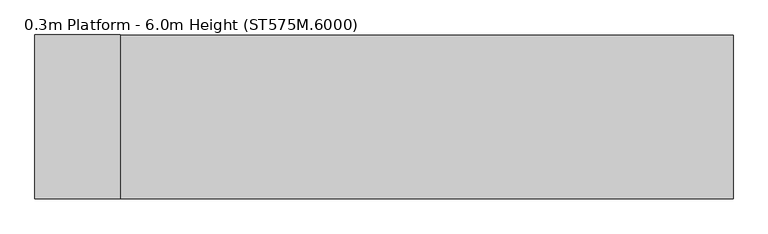
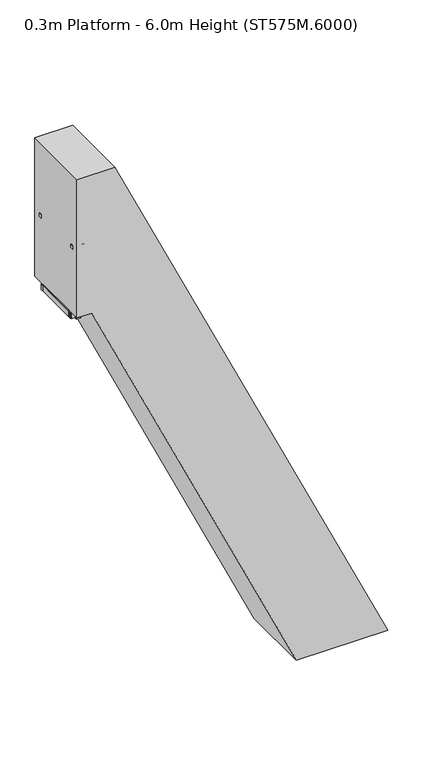
"""IFC4 building model written with IfcOpenShell, lengths in millimetres: proxy geometry, 0.3m Platform - 6.0m Height (ST575M.6000)."""

import ifcopenshell
import ifcopenshell.guid

model = None  # the IFC model being written
_history = None  # IfcOwnerHistory: only IFC2X3 demands one
_inside = {}  # id of a spatial element -> (the spatial element, [elements in it])
_under = {}  # id of a project, library or spatial element -> (it, [spatial elements below it])
_declared = {}  # id of a project -> (the project, [libraries it declares])
_typed = {}  # id of a type object -> (the type object, [elements of that type])
_made_of = {}  # id of a material, layer set ... -> (it, [elements and type objects made of it])


def new_model(schema):
    """Start an empty IFC model of exactly this schema.

    Asked for "IFC4X3", IfcOpenShell would pick the latest addendum, in which some entities
    have other attributes; the version numbers below select the first issue.
    IFC2X3 requires an IfcOwnerHistory on every rooted entity: one is made here for all.
    """
    global model, _history
    if schema == "IFC4X3":
        model = ifcopenshell.file(schema_version=(4, 3, 0, 0))
    else:
        model = ifcopenshell.file(schema=schema)
    _inside.clear()
    _under.clear()
    _declared.clear()
    _typed.clear()
    _made_of.clear()
    _history = None
    if model.schema == "IFC2X3":
        org = make("IfcOrganization", Name="unknown")
        user = make(
            "IfcPersonAndOrganization",
            ThePerson=make("IfcPerson", FamilyName="unknown"),
            TheOrganization=org,
        )
        app = make(
            "IfcApplication",
            ApplicationDeveloper=org,
            Version="unknown",
            ApplicationFullName="unknown",
            ApplicationIdentifier="unknown",
        )
        _history = make(
            "IfcOwnerHistory",
            OwningUser=user,
            OwningApplication=app,
            ChangeAction="ADDED",
            CreationDate=0,
        )
    return model


def make(cls, **values):
    """One entity of the class cls with the attributes given. An attribute that is None is left unset."""
    return model.create_entity(
        cls, **{name: value for name, value in values.items() if value is not None}
    )


def rooted(cls, **values):
    """An entity with a GlobalId (a new one), such as an element, a storey or a relation."""
    return make(cls, GlobalId=ifcopenshell.guid.new(), OwnerHistory=_history, **values)


def si_unit(unit_type, name, prefix=None):
    """IfcSIUnit, for example si_unit("LENGTHUNIT", "METRE", prefix="MILLI")."""
    return make("IfcSIUnit", UnitType=unit_type, Prefix=prefix, Name=name)


def assignment(units):
    """IfcUnitAssignment: the units of a project."""
    return None if units is None else make("IfcUnitAssignment", Units=units)


def point(xyz):
    """IfcCartesianPoint."""
    return None if xyz is None else make("IfcCartesianPoint", Coordinates=xyz)


def direction(xyz):
    """IfcDirection."""
    return None if xyz is None else make("IfcDirection", DirectionRatios=xyz)


def frame(location, z_axis=None, x_axis=None):
    """IfcAxis2Placement3D, a coordinate frame: its origin and axes. An axis left out is left unset."""
    return make(
        "IfcAxis2Placement3D",
        Location=point(location),
        Axis=direction(z_axis),
        RefDirection=direction(x_axis),
    )


def frame_2d(location, x_axis=None):
    """IfcAxis2Placement2D, a coordinate frame in the plane: its origin and x axis."""
    return make(
        "IfcAxis2Placement2D", Location=point(location), RefDirection=direction(x_axis)
    )


def origin():
    """The frame at (0, 0, 0) with its axes left unset."""
    return frame((0.0, 0.0, 0.0))


def origin_with_axes():
    """The frame at (0, 0, 0) with the z axis (0, 0, 1) and the x axis (1, 0, 0) written out."""
    return frame((0.0, 0.0, 0.0), z_axis=(0.0, 0.0, 1.0), x_axis=(1.0, 0.0, 0.0))


def place(relative_to, where):
    """IfcLocalPlacement: puts the frame where relative to a parent placement (None: the world)."""
    return make(
        "IfcLocalPlacement", PlacementRelTo=relative_to, RelativePlacement=where
    )


def context(
    kind, dimensions, precision=None, world=None, true_north=None, identifier=None
):
    """IfcGeometricRepresentationContext, for example the 3D "Model" context."""
    return make(
        "IfcGeometricRepresentationContext",
        ContextIdentifier=identifier,
        ContextType=kind,
        CoordinateSpaceDimension=dimensions,
        Precision=precision,
        WorldCoordinateSystem=world,
        TrueNorth=true_north,
    )


def project(units=None, contexts=None):
    """IfcProject with its units and contexts."""
    return rooted(
        "IfcProject",
        Name="project",
        RepresentationContexts=contexts,
        UnitsInContext=assignment(units),
    )


def spatial(cls, under=None, at=None, **own):
    """A site, building, storey or space (cls), placed at a placement, below another one or the project."""
    s = rooted(cls, ObjectPlacement=at, **own)
    if under is not None:
        _under.setdefault(under.id(), (under, []))[1].append(s)
    return s


def polyline(points):
    """IfcPolyline through the points."""
    return make("IfcPolyline", Points=[point(p) for p in points])


def circle_curve(where, radius):
    """IfcCircle in the frame where."""
    return make("IfcCircle", Position=where, Radius=radius)


def ellipse_curve(where, semi_axis1, semi_axis2):
    """IfcEllipse in the frame where."""
    return make(
        "IfcEllipse", Position=where, SemiAxis1=semi_axis1, SemiAxis2=semi_axis2
    )


def trimmed(basis, trim1, trim2, sense, master):
    """IfcTrimmedCurve: the piece of a basis curve between two trims."""
    return make(
        "IfcTrimmedCurve",
        BasisCurve=basis,
        Trim1=trim1,
        Trim2=trim2,
        SenseAgreement=sense,
        MasterRepresentation=master,
    )


def segment(curve, same_sense, transition):
    """IfcCompositeCurveSegment."""
    return make(
        "IfcCompositeCurveSegment",
        Transition=transition,
        SameSense=same_sense,
        ParentCurve=curve,
    )


def composite_curve(segments, self_intersect=None):
    """IfcCompositeCurve: segments joined end to end."""
    return make("IfcCompositeCurve", Segments=segments, SelfIntersect=self_intersect)


def outline(outer, holes=None, kind="AREA"):
    """IfcArbitraryClosedProfileDef: a profile drawn as a closed curve; with holes, ...WithVoids."""
    if holes is None:
        return make("IfcArbitraryClosedProfileDef", ProfileType=kind, OuterCurve=outer)
    return make(
        "IfcArbitraryProfileDefWithVoids",
        ProfileType=kind,
        OuterCurve=outer,
        InnerCurves=holes,
    )


def extrude(swept, where, along, depth):
    """IfcExtrudedAreaSolid: the profile swept, set in the frame where, extruded along a direction by depth."""
    return make(
        "IfcExtrudedAreaSolid",
        SweptArea=swept,
        Position=where,
        ExtrudedDirection=direction(along),
        Depth=depth,
    )


def shape(context_of_items, identifier, shape_type, items):
    """IfcShapeRepresentation: the items that make up one representation, for example the "Body"."""
    return make(
        "IfcShapeRepresentation",
        ContextOfItems=context_of_items,
        RepresentationIdentifier=identifier,
        RepresentationType=shape_type,
        Items=items,
    )


def source(mapping_origin, context_of_items, identifier, shape_type, items):
    """IfcRepresentationMap: a shape defined once, which mapped items show again and again."""
    return make(
        "IfcRepresentationMap",
        MappingOrigin=mapping_origin,
        MappedRepresentation=shape(context_of_items, identifier, shape_type, items),
    )


def transform(
    local_origin,
    x_axis=None,
    y_axis=None,
    z_axis=None,
    scale=None,
    scale2=None,
    scale3=None,
    uniform=True,
):
    """IfcCartesianTransformationOperator3D, or its non-uniform kind. x_axis, y_axis, z_axis: its Axis1, 2, 3."""
    if uniform:
        return make(
            "IfcCartesianTransformationOperator3D",
            Axis1=direction(x_axis),
            Axis2=direction(y_axis),
            LocalOrigin=point(local_origin),
            Scale=scale,
            Axis3=direction(z_axis),
        )
    return make(
        "IfcCartesianTransformationOperator3DnonUniform",
        Axis1=direction(x_axis),
        Axis2=direction(y_axis),
        LocalOrigin=point(local_origin),
        Scale=scale,
        Axis3=direction(z_axis),
        Scale2=scale2,
        Scale3=scale3,
    )


def mapped(mapping_source, mapping_target):
    """IfcMappedItem: shows the shape of a source again, moved by a transform."""
    return make(
        "IfcMappedItem", MappingSource=mapping_source, MappingTarget=mapping_target
    )


def made_of(thing, what):
    """Note that an element or type object is made of a material, layer set ...; save() writes the relation."""
    if what is not None:
        _made_of.setdefault(what.id(), (what, []))[1].append(thing)
    return thing


def element(
    cls,
    number,
    at=None,
    inside=None,
    cuts=None,
    type_object=None,
    material=None,
    context=None,
    identifier="Body",
    shape_type=None,
    held_by="IfcProductDefinitionShape",
    body=None,
    shapes=None,
    **own,
):
    """One element of the class cls, such as IfcWall. Its Tag is "e" and its number.

    at: its placement. inside: the storey or other place that contains it. cuts: it is an
    opening in that element (IfcRelVoidsElement). A single representation is given by context,
    identifier, shape_type and body (its items); several are given by shapes. held_by: the class
    of the entity that holds the representations. save() writes the other relations.
    """
    e = rooted(cls, Tag="e%d" % number, ObjectPlacement=at, **own)
    if body is not None:
        shapes = [shape(context, identifier, shape_type, body)]
    if shapes is not None:
        e.Representation = make(held_by, Representations=shapes)
    if inside is not None:
        _inside.setdefault(inside.id(), (inside, []))[1].append(e)
    if cuts is not None:
        rooted(
            "IfcRelVoidsElement", RelatingBuildingElement=cuts, RelatedOpeningElement=e
        )
    if type_object is not None:
        _typed.setdefault(type_object.id(), (type_object, []))[1].append(e)
    return made_of(e, material)


def aggregate(whole, parts):
    """IfcRelAggregates: a whole, such as a stair, and the parts it consists of."""
    return rooted("IfcRelAggregates", RelatingObject=whole, RelatedObjects=parts)


def save(model, path):
    """Write the relations noted so far, then the file.

    IfcRelAggregates (storeys below a building ...), IfcRelContainedInSpatialStructure (elements
    in a storey), IfcRelDefinesByType, IfcRelAssociatesMaterial and IfcRelDeclares: one each for
    every whole, place, type object, material and project.
    """
    for whole, parts in _under.values():
        aggregate(whole, parts)
    for where, things in _inside.values():
        rooted(
            "IfcRelContainedInSpatialStructure",
            RelatedElements=things,
            RelatingStructure=where,
        )
    for kind, things in _typed.values():
        rooted("IfcRelDefinesByType", RelatedObjects=things, RelatingType=kind)
    for what, things in _made_of.values():
        rooted("IfcRelAssociatesMaterial", RelatedObjects=things, RelatingMaterial=what)
    for by, libraries in _declared.values():
        rooted("IfcRelDeclares", RelatingContext=by, RelatedDefinitions=libraries)
    model.write(path)


def plane_surface(at):
    """IfcPlane: the flat surface through the origin of the frame at, square to its z axis."""
    return make("IfcPlane", Position=at)


def cylinder_surface(at, radius):
    """IfcCylindricalSurface: all points at the distance radius from the z axis of the frame at."""
    return make("IfcCylindricalSurface", Position=at, Radius=radius)


def advanced_brep(points, edges, surfaces, faces):
    """IfcAdvancedBrep: a solid bounded by faces that lie on surfaces and meet in shared edges.

    An edge is (start, end): straight between two places in points (the first is 0);
    or (start, end, curve); or (start, end, curve, False) where it runs against its curve.
    A face is (place in surfaces, loops), or (place, loops, False) where it looks against
    its surface's normal. A loop lists edges by number (the first is 1), with a minus sign
    where the edge is run from its end to its start. The first loop is the outer one.
    """
    corners = [point(p) for p in points]
    vertices = [make("IfcVertexPoint", VertexGeometry=c) for c in corners]
    made = []
    for start, end, *more in edges:
        made.append(
            make(
                "IfcEdgeCurve",
                EdgeStart=vertices[start],
                EdgeEnd=vertices[end],
                EdgeGeometry=more[0] if more else make("IfcPolyline", Points=[corners[start], corners[end]]),
                SameSense=more[1] if len(more) > 1 else True,
            )
        )
    hull = []
    for where, loops, *sense in faces:
        bounds = []
        for j, loop in enumerate(loops):
            ring = [make("IfcOrientedEdge", EdgeElement=made[abs(k) - 1], Orientation=k > 0) for k in loop]
            bounds.append(
                make(
                    "IfcFaceOuterBound" if j == 0 else "IfcFaceBound",
                    Bound=make("IfcEdgeLoop", EdgeList=ring),
                    Orientation=True,
                )
            )
        hull.append(make("IfcAdvancedFace", Bounds=bounds, FaceSurface=surfaces[where], SameSense=sense[0] if sense else True))
    return make("IfcAdvancedBrep", Outer=make("IfcClosedShell", CfsFaces=hull))


def proxy_0_3m_platform_6_0m_height_st575m_6000_19a8d187(model_context):
    return source(origin(), model_context, "Body", "SolidModel", [
        extrude(outline(polyline([(250.0, 2577.2962564), (170.0, 2614.600864), (170.0, 2724.9386611), (250.0, 2687.6340485), (250.0, 2577.2962564)])), frame((0.0, 298.5, 0.0), z_axis=(0.0, 1.0, 0.0), x_axis=(0.0, 0.0, 1.0)), (0.0, 0.0, 1.0), 6.0),
        extrude(outline(polyline([(250.0, 2577.2962564), (170.0, 2614.600864), (170.0, 2724.9386611), (250.0, 2687.6340485), (250.0, 2577.2962564)])), frame((0.0, -304.5, 0.0), z_axis=(0.0, 1.0, 0.0), x_axis=(0.0, 0.0, 1.0)), (0.0, 0.0, 1.0), 6.0),
        extrude(outline(polyline([(250.0, 2584.4682127), (212.0999991, 2602.141271), (212.0999991, 2604.3480268), (247.0, 2588.0738913), (247.0, 2686.8262156), (212.0999991, 2703.1003533), (212.0999991, 2705.3071091), (250.0, 2687.6340485), (250.0, 2667.2063073), (249.2749538, 2666.8682127), (250.0, 2666.5301182), (250.0, 2646.6063073), (249.2749538, 2646.2682127), (250.0, 2645.9301182), (250.0, 2626.0063073), (249.2749538, 2625.6682127), (250.0, 2625.3301182), (250.0, 2605.4063073), (249.2749538, 2605.0682127), (250.0, 2604.7301182), (250.0, 2584.4682127)])), frame((0.0, -298.5, 0.0), z_axis=(0.0, 1.0, 0.0), x_axis=(0.0, 0.0, 1.0)), (0.0, 0.0, 1.0), 597.0),
        extrude(outline(polyline([(-108.8328319, -304.5), (-146.8328319, -304.5), (-146.8328319, 304.5), (-108.8328319, 304.5), (-108.8328319, -304.5)])), frame((0.0, 0.0, 5923.0), z_axis=(0.0, 0.0, 1.0), x_axis=(1.0, 0.0, 0.0)), (0.0, 0.0, 1.0), 58.0),
        advanced_brep(
        [(-256.8328319, 372.0, 6942.0), (-256.8328319, 372.0, 6987.0), (-244.1016939, 372.0, 6942.0), (-215.4337404, 372.0, 6987.0), (-213.5569732, 372.0, 6876.4977609), (-172.773248, 372.0, 6895.5158512)],
        [
            (0, 1, circle_curve(frame((-256.8328319, 372.0, 6964.5), z_axis=(-1.0, 0.0, 0.0), x_axis=(0.0, 0.0, 1.0)), 22.5)),
            (1, 0, circle_curve(frame((-256.8328319, 372.0, 6964.5), z_axis=(-1.0, 0.0, 0.0), x_axis=(0.0, 0.0, 1.0)), 22.5)),
            (0, 2),
            (2, 3, ellipse_curve(frame((-229.7677171, 372.0, 6964.5), z_axis=(-0.8433932143583006, 0.0, 0.5372968322765113), x_axis=(-0.5372968322765115, 0.0, -0.8433932143583006)), 26.6779476, 22.5)),
            (3, 1),
            (3, 2, ellipse_curve(frame((-229.7677171, 372.0, 6964.5), z_axis=(-0.8433932143583006, 0.0, 0.5372968322765113), x_axis=(-0.5372968322765115, 0.0, -0.8433932143583006)), 26.6779476, 22.5)),
            (4, 5, circle_curve(frame((-193.1651106, 372.0, 6886.0068061), z_axis=(0.4226242280512531, 0.0, -0.9063050048764392), x_axis=(0.9063050048764392, 0.0, 0.4226242280512531)), 22.5)),
            (5, 4, circle_curve(frame((-193.1651106, 372.0, 6886.0068061), z_axis=(0.4226242280512531, 0.0, -0.9063050048764392), x_axis=(0.9063050048764392, 0.0, 0.4226242280512531)), 22.5)),
            (2, 4),
            (5, 3),
        ],
        [
            plane_surface(frame((-256.8328319, 0.0, 6987.0), z_axis=(-1.0, 0.0, 0.0), x_axis=(0.0, -1.0, 0.0))),
            cylinder_surface(frame((-256.8328319, 372.0, 6964.5), z_axis=(-1.0, 0.0, 0.0), x_axis=(0.0, 0.0, 1.0)), 22.5),
            plane_surface(frame((-172.773248, 0.0, 6895.5158512), z_axis=(0.4226242280512531, 0.0, -0.9063050048764392), x_axis=(0.0, -1.0, 0.0))),
            cylinder_surface(frame((-235.825603, 372.0, 6977.4909549), z_axis=(-0.4226242280512531, 0.0, 0.9063050048764392), x_axis=(0.9063050048764392, 0.0, 0.4226242280512531)), 22.5),
        ],
        [
            (0, [[1, 2]]),
            (1, [[-1, 3, 4, 5]]),
            (1, [[-2, -5, 6, -3]]),
            (2, [[7, 8]]),
            (3, [[-4, 9, -8, 10]]),
            (3, [[-6, -10, -7, -9]]),
        ],
    ),
        advanced_brep(
        [(-256.8328319, -372.0, 6942.0), (-256.8328319, -372.0, 6987.0), (-244.1016939, -372.0, 6942.0), (-215.4337404, -372.0, 6987.0), (-213.5569732, -372.0, 6876.4977609), (-172.773248, -372.0, 6895.5158512)],
        [
            (0, 1, circle_curve(frame((-256.8328319, -372.0, 6964.5), z_axis=(-1.0, 0.0, 0.0), x_axis=(0.0, 0.0, 1.0)), 22.5)),
            (1, 0, circle_curve(frame((-256.8328319, -372.0, 6964.5), z_axis=(-1.0, 0.0, 0.0), x_axis=(0.0, 0.0, 1.0)), 22.5)),
            (0, 2),
            (2, 3, ellipse_curve(frame((-229.7677171, -372.0, 6964.5), z_axis=(-0.8433932143583006, 0.0, 0.5372968322765113), x_axis=(-0.5372968322765115, 0.0, -0.8433932143583006)), 26.6779476, 22.5)),
            (3, 1),
            (3, 2, ellipse_curve(frame((-229.7677171, -372.0, 6964.5), z_axis=(-0.8433932143583006, 0.0, 0.5372968322765113), x_axis=(-0.5372968322765115, 0.0, -0.8433932143583006)), 26.6779476, 22.5)),
            (4, 5, circle_curve(frame((-193.1651106, -372.0, 6886.0068061), z_axis=(0.4226242280512531, 0.0, -0.9063050048764392), x_axis=(0.9063050048764392, 0.0, 0.4226242280512531)), 22.5)),
            (5, 4, circle_curve(frame((-193.1651106, -372.0, 6886.0068061), z_axis=(0.4226242280512531, 0.0, -0.9063050048764392), x_axis=(0.9063050048764392, 0.0, 0.4226242280512531)), 22.5)),
            (2, 4),
            (5, 3),
        ],
        [
            plane_surface(frame((-256.8328319, 0.0, 6987.0), z_axis=(-1.0, 0.0, 0.0), x_axis=(0.0, -1.0, 0.0))),
            cylinder_surface(frame((-256.8328319, -372.0, 6964.5), z_axis=(-1.0, 0.0, 0.0), x_axis=(0.0, 0.0, 1.0)), 22.5),
            plane_surface(frame((-172.773248, 0.0, 6895.5158512), z_axis=(0.4226242280512531, 0.0, -0.9063050048764392), x_axis=(0.0, -1.0, 0.0))),
            cylinder_surface(frame((-235.825603, -372.0, 6977.4909549), z_axis=(-0.4226242280512531, 0.0, 0.9063050048764392), x_axis=(0.9063050048764392, 0.0, 0.4226242280512531)), 22.5),
        ],
        [
            (0, [[1, 2]]),
            (1, [[-1, 3, 4, 5]]),
            (1, [[-2, -5, 6, -3]]),
            (2, [[7, 8]]),
            (3, [[-4, 9, -8, 10]]),
            (3, [[-6, -10, -7, -9]]),
        ],
    ),
        extrude(outline(polyline([(-390.8328319, -304.5), (-396.8328319, -304.5), (-396.8328319, 304.5), (-390.8328319, 304.5), (-390.8328319, -304.5)])), frame((0.0, 0.0, 5901.0), z_axis=(0.0, 0.0, 1.0), x_axis=(1.0, 0.0, 0.0)), (0.0, 0.0, 1.0), 80.0),
        extrude(outline(composite_curve([segment(polyline([(349.5, 6930.0), (349.5, 6964.5)]), True, "CONTINUOUS"), segment(trimmed(circle_curve(frame_2d((372.0, 6964.5)), 22.5), [point((349.5, 6964.5))], [point((394.5, 6964.5))], False, "CARTESIAN"), True, "CONTINUOUS"), segment(polyline([(394.5, 6964.5), (394.5, 6930.0), (349.5, 6930.0)]), True, "CONTINUOUS")], self_intersect=False)), frame((-396.8328319, 0.0, 0.0), z_axis=(1.0, 0.0, 0.0), x_axis=(0.0, 1.0, 0.0)), (0.0, 0.0, 1.0), 140.0),
        extrude(outline(composite_curve([segment(polyline([(-349.5, 6930.0), (-394.5, 6930.0), (-394.5, 6964.5)]), True, "CONTINUOUS"), segment(trimmed(circle_curve(frame_2d((-372.0, 6964.5)), 22.5), [point((-394.5, 6964.5))], [point((-349.5, 6964.5))], False, "CARTESIAN"), True, "CONTINUOUS"), segment(polyline([(-349.5, 6964.5), (-349.5, 6930.0)]), True, "CONTINUOUS")], self_intersect=False)), frame((-396.8328319, 0.0, 0.0), z_axis=(1.0, 0.0, 0.0), x_axis=(0.0, 1.0, 0.0)), (0.0, 0.0, 1.0), 140.0),
        extrude(outline(polyline([(-232.8328319, 353.0), (-232.8328319, 343.0), (-392.8328319, 343.0), (-392.8328319, 353.0), (-232.8328319, 353.0)])), frame((0.0, 0.0, 5901.0), z_axis=(0.0, 0.0, 1.0), x_axis=(1.0, 0.0, 0.0)), (0.0, 0.0, 1.0), 80.0),
        extrude(outline(polyline([(-232.8328319, -343.0), (-232.8328319, -353.0), (-392.8328319, -353.0), (-392.8328319, -343.0), (-232.8328319, -343.0)])), frame((0.0, 0.0, 5901.0), z_axis=(0.0, 0.0, 1.0), x_axis=(1.0, 0.0, 0.0)), (0.0, 0.0, 1.0), 80.0),
        extrude(outline(polyline([(-283.8328319, 391.0), (-283.8328319, 353.0), (-341.8328319, 353.0), (-341.8328319, 391.0), (-283.8328319, 391.0)])), frame((0.0, 0.0, 5901.0), z_axis=(0.0, 0.0, 1.0), x_axis=(1.0, 0.0, 0.0)), (0.0, 0.0, 1.0), 1029.0),
        extrude(outline(polyline([(-283.8328319, -353.0), (-283.8328319, -391.0), (-341.8328319, -391.0), (-341.8328319, -353.0), (-283.8328319, -353.0)])), frame((0.0, 0.0, 5901.0), z_axis=(0.0, 0.0, 1.0), x_axis=(1.0, 0.0, 0.0)), (0.0, 0.0, 1.0), 1029.0),
        extrude(outline(polyline([(-96.8328319, 343.0), (-96.8328319, 304.5), (-396.8328319, 304.5), (-396.8328319, 343.0), (-96.8328319, 343.0)])), frame((0.0, 0.0, 5901.0), z_axis=(0.0, 0.0, 1.0), x_axis=(1.0, 0.0, 0.0)), (0.0, 0.0, 1.0), 80.0),
        extrude(outline(polyline([(-96.8328319, -304.5), (-96.8328319, -343.0), (-396.8328319, -343.0), (-396.8328319, -304.5), (-96.8328319, -304.5)])), frame((0.0, 0.0, 5901.0), z_axis=(0.0, 0.0, 1.0), x_axis=(1.0, 0.0, 0.0)), (0.0, 0.0, 1.0), 80.0),
        extrude(outline(polyline([(-99.8328319, 297.5), (-99.8328319, -297.5), (-393.8328319, -297.5), (-393.8328319, 297.5), (-99.8328319, 297.5)])), frame((0.0, 0.0, 5984.0), z_axis=(0.0, 0.0, 1.0), x_axis=(1.0, 0.0, 0.0)), (0.0, 0.0, 1.0), 13.0),
        extrude(outline(polyline([(6000.0, -114.8328319), (5997.0, -114.8328319), (5997.0, -99.8328319), (5984.0, -99.8328319), (5984.0, -114.8328319), (5981.0, -114.8328319), (5981.0, -96.8328319), (6000.0, -96.8328319), (6000.0, -114.8328319)])), frame((0.0, -297.5, 0.0), z_axis=(0.0, 1.0, 0.0), x_axis=(0.0, 0.0, 1.0)), (0.0, 0.0, 1.0), 595.0),
        extrude(outline(polyline([(6000.0, -378.8328319), (6000.0, -396.8328319), (5981.0, -396.8328319), (5981.0, -378.8328319), (5984.0, -378.8328319), (5984.0, -393.8328319), (5997.0, -393.8328319), (5997.0, -378.8328319), (6000.0, -378.8328319)])), frame((0.0, -297.5, 0.0), z_axis=(0.0, 1.0, 0.0), x_axis=(0.0, 0.0, 1.0)), (0.0, 0.0, 1.0), 595.0),
        extrude(outline(polyline([(5981.0, 12.859157), (5981.0, -176.8328319), (5901.0, -176.8328319), (5901.0, 50.1637697), (5981.0, 12.859157)])), frame((0.0, 344.0, 0.0), z_axis=(0.0, 1.0, 0.0), x_axis=(0.0, 0.0, 1.0)), (0.0, 0.0, 1.0), 6.0),
        extrude(outline(polyline([(5981.0, 15.2248596), (5981.0, -176.8328319), (5901.0, -176.8328319), (5901.0, 52.5294722), (5981.0, 15.2248596)])), frame((0.0, -350.0, 0.0), z_axis=(0.0, 1.0, 0.0), x_axis=(0.0, 0.0, 1.0)), (0.0, 0.0, 1.0), 6.0),
        extrude(outline(polyline([(-304.5, 80.0), (-304.5, 0.0), (-343.0, 0.0), (-343.0, 80.0), (-304.5, 80.0)])), frame((2713.1428835, 0.0, 6.0), z_axis=(-0.4226182617406976, 0.0, 0.9063077870366508), x_axis=(0.0, -1.0, 0.0)), (0.0, 0.0, 1.0), 6613.6472463),
        extrude(outline(polyline([(343.0, 80.0), (343.0, 0.0), (304.5, 0.0), (304.5, 80.0), (343.0, 80.0)])), frame((2713.1428835, 0.0, 6.0), z_axis=(-0.4226182617406976, 0.0, 0.9063077870366508), x_axis=(0.0, -1.0, 0.0)), (0.0, 0.0, 1.0), 6613.6472463),
        extrude(outline(polyline([(141.9461681, 2738.0203778), (108.1367071, 2665.5157548), (6.0, 2713.1428835), (6.0, 2801.413117), (141.9461681, 2738.0203778)])), frame((0.0, 344.0, 0.0), z_axis=(0.0, 1.0, 0.0), x_axis=(0.0, 0.0, 1.0)), (0.0, 0.0, 1.0), 6.0),
        extrude(outline(polyline([(141.9461681, 2738.0203778), (108.1367071, 2665.5157548), (6.0, 2713.1428835), (6.0, 2801.413117), (141.9461681, 2738.0203778)])), frame((0.0, -350.0, 0.0), z_axis=(0.0, 1.0, 0.0), x_axis=(0.0, 0.0, 1.0)), (0.0, 0.0, 1.0), 6.0),
        extrude(outline(polyline([(2807.313117, 358.0), (2807.313117, -358.0), (2707.313117, -358.0), (2707.313117, 358.0), (2807.313117, 358.0)])), origin_with_axes(), (0.0, 0.0, 1.0), 6.0),
        extrude(outline(polyline([(6000.0, -193.6655493), (0.0, 2604.2124419), (0.0, 3852.4223427), (8000.0, 121.9183544), (8000.0, -396.8328319), (6000.0, -396.8328319), (6000.0, -193.6655493)])), frame((0.0, -498.0, 0.0), z_axis=(0.0, 1.0, 0.0), x_axis=(0.0, 0.0, 1.0)), (0.0, 0.0, 1.0), 996.0),
    ])


if __name__ == "__main__":
    model = new_model("IFC4")
    model_context = context("Model", 3, world=origin())
    ifc_project = project(units=[si_unit("LENGTHUNIT", "METRE", prefix="MILLI")], contexts=[model_context])
    site = spatial("IfcSite", under=ifc_project)
    building = spatial("IfcBuilding", under=site)
    placement = place(None, origin())
    proxy_0_3m_platform_6_0m_height_st575m_6000_shape = proxy_0_3m_platform_6_0m_height_st575m_6000_19a8d187(model_context)
    element("IfcBuildingElementProxy", 1, Name="0.3m Platform - 6.0m Height (ST575M.6000)", ObjectType="0.3m Platform - 6.0m Height (ST575M.6000)", at=placement, inside=building, context=model_context, shape_type="MappedRepresentation", body=[
        mapped(proxy_0_3m_platform_6_0m_height_st575m_6000_shape, transform((0.0, 0.0, 0.0), x_axis=(1.0, 0.0, 0.0), y_axis=(0.0, 1.0, 0.0), z_axis=(0.0, 0.0, 1.0))),
    ])
    save(model, "model.ifc")
